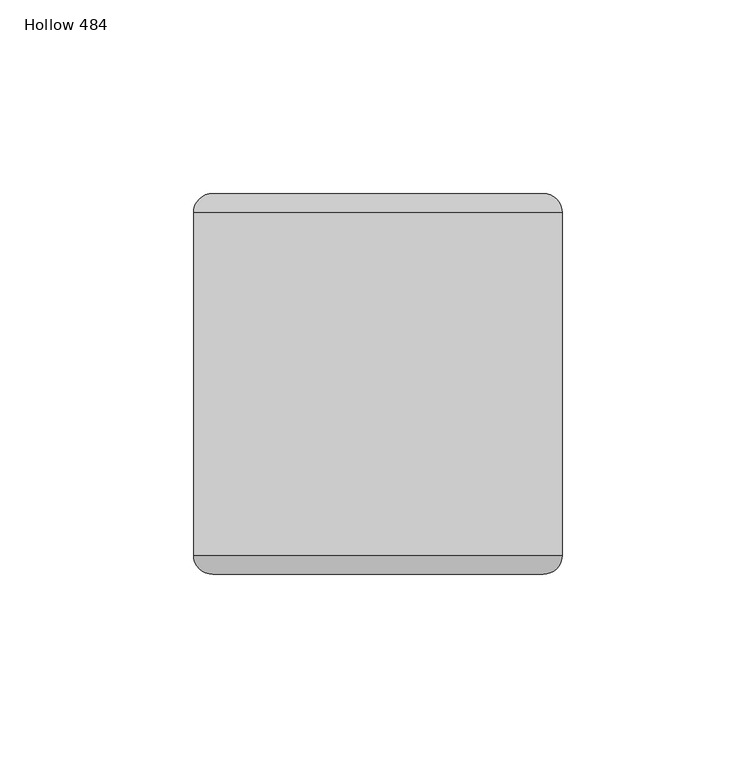
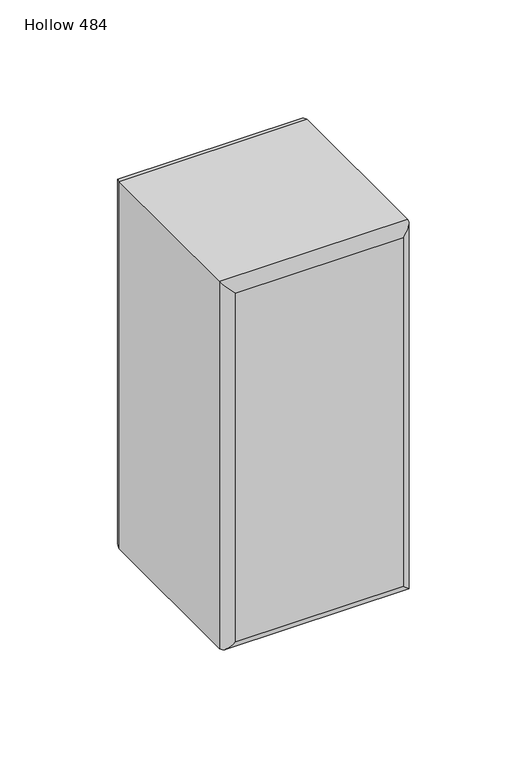
"""IFC4 building model written with IfcOpenShell, lengths in millimetres: plate geometry, Hollow 484."""

from ifc_helpers import new_model, si_unit, frame, origin, place, context, project, spatial, ellipse_curve, source, transform, mapped, element, save
from ifc_brep_helpers import plane_surface, cylinder_surface, advanced_brep


def hollow_484_897a033f(model_context):
    return source(origin(), model_context, "Body", "AdvancedBrep", [
        advanced_brep(
        [(-47.6582959, -44.2, 197.0), (47.6417041, -44.2, 197.0), (47.6417041, 44.2, 197.0), (-47.6582959, 44.2, 197.0), (47.6417041, -44.2, 0.0), (-47.6582959, -44.2, 0.0), (-47.6582959, 44.2, 0.0), (47.6417041, 44.2, 0.0), (-42.6582959, -49.2, 5.0), (42.6417041, -49.2, 5.0), (42.6417041, -49.2, 192.0), (-42.6582959, -49.2, 192.0), (42.6417041, 49.2, 5.0), (-42.6582959, 49.2, 5.0), (-42.6582959, 49.2, 192.0), (42.6417041, 49.2, 192.0)],
        [
            (0, 1),
            (1, 2),
            (2, 3),
            (3, 0),
            (4, 5),
            (5, 6),
            (6, 7),
            (7, 4),
            (8, 9),
            (9, 10),
            (10, 11),
            (11, 8),
            (1, 4),
            (7, 2),
            (12, 13),
            (13, 14),
            (14, 15),
            (15, 12),
            (5, 0),
            (3, 6),
            (4, 9, ellipse_curve(frame((42.6417041, -44.2, 5.0), z_axis=(-0.7071067811865475, 0.0, -0.7071067811865475), x_axis=(0.7071067811865476, 0.0, -0.7071067811865474)), 7.0710678, 5.0)),
            (8, 5, ellipse_curve(frame((-42.6582959, -44.2, 5.0), z_axis=(0.7071067811865475, 0.0, -0.7071067811865475), x_axis=(0.7071067811865476, 0.0, 0.7071067811865474)), 7.0710678, 5.0)),
            (1, 10, ellipse_curve(frame((42.6417041, -44.2, 192.0), z_axis=(0.7071067811865475, 0.0, -0.7071067811865475), x_axis=(0.7071067811865474, 0.0, 0.7071067811865476)), 7.0710678, 5.0)),
            (0, 11, ellipse_curve(frame((-42.6582959, -44.2, 192.0), z_axis=(0.7071067811865475, 0.0, 0.7071067811865475), x_axis=(-0.7071067811865476, 0.0, 0.7071067811865474)), 7.0710678, 5.0)),
            (12, 7, ellipse_curve(frame((42.6417041, 44.2, 5.0), z_axis=(-0.7071067811865475, 0.0, -0.7071067811865475), x_axis=(0.7071067811865476, 0.0, -0.7071067811865474)), 7.0710678, 5.0)),
            (6, 13, ellipse_curve(frame((-42.6582959, 44.2, 5.0), z_axis=(0.7071067811865475, 0.0, -0.7071067811865475), x_axis=(0.7071067811865476, 0.0, 0.7071067811865474)), 7.0710678, 5.0)),
            (15, 2, ellipse_curve(frame((42.6417041, 44.2, 192.0), z_axis=(0.7071067811865475, 0.0, -0.7071067811865475), x_axis=(0.7071067811865474, 0.0, 0.7071067811865476)), 7.0710678, 5.0)),
            (14, 3, ellipse_curve(frame((-42.6582959, 44.2, 192.0), z_axis=(0.7071067811865475, 0.0, 0.7071067811865475), x_axis=(-0.7071067811865476, 0.0, 0.7071067811865474)), 7.0710678, 5.0)),
        ],
        [
            plane_surface(frame((-47.6582959, -49.2, 197.0), z_axis=(0.0, 0.0, 1.0), x_axis=(1.0, 0.0, 0.0))),
            plane_surface(frame((-47.6582959, -49.2, 0.0), z_axis=(0.0, 0.0, -1.0), x_axis=(-1.0, 0.0, 0.0))),
            plane_surface(frame((-47.6582959, -49.2, 197.0), z_axis=(0.0, -1.0, 0.0), x_axis=(0.0, 0.0, -1.0))),
            plane_surface(frame((47.6417041, -49.2, 197.0), z_axis=(1.0, 0.0, 0.0), x_axis=(0.0, 0.0, -1.0))),
            plane_surface(frame((47.6417041, 49.2, 197.0), z_axis=(0.0, 1.0, 0.0), x_axis=(0.0, 0.0, -1.0))),
            plane_surface(frame((-47.6582959, 49.2, 197.0), z_axis=(-1.0, 0.0, 0.0), x_axis=(0.0, 0.0, -1.0))),
            cylinder_surface(frame((-47.6582959, -44.2, 5.0), z_axis=(1.0, 0.0, 0.0), x_axis=(0.0, 0.0, -1.0)), 5.0),
            cylinder_surface(frame((42.6417041, -44.2, 0.0), z_axis=(0.0, 0.0, 1.0), x_axis=(1.0, 0.0, 0.0)), 5.0),
            cylinder_surface(frame((47.6417041, -44.2, 192.0), z_axis=(-1.0, 0.0, 0.0), x_axis=(0.0, 0.0, 1.0)), 5.0),
            cylinder_surface(frame((-42.6582959, -44.2, 197.0), z_axis=(0.0, 0.0, -1.0), x_axis=(-1.0, 0.0, 0.0)), 5.0),
            cylinder_surface(frame((-47.6582959, 44.2, 5.0), z_axis=(1.0, 0.0, 0.0), x_axis=(0.0, 0.0, -1.0)), 5.0),
            cylinder_surface(frame((42.6417041, 44.2, 0.0), z_axis=(0.0, 0.0, 1.0), x_axis=(1.0, 0.0, 0.0)), 5.0),
            cylinder_surface(frame((47.6417041, 44.2, 192.0), z_axis=(-1.0, 0.0, 0.0), x_axis=(0.0, 0.0, 1.0)), 5.0),
            cylinder_surface(frame((-42.6582959, 44.2, 197.0), z_axis=(0.0, 0.0, -1.0), x_axis=(-1.0, 0.0, 0.0)), 5.0),
        ],
        [
            (0, [[1, 2, 3, 4]]),
            (1, [[5, 6, 7, 8]]),
            (2, [[9, 10, 11, 12]]),
            (3, [[13, -8, 14, -2]]),
            (4, [[15, 16, 17, 18]]),
            (5, [[19, -4, 20, -6]]),
            (6, [[21, -9, 22, -5]]),
            (7, [[-21, -13, 23, -10]]),
            (8, [[-23, -1, 24, -11]]),
            (9, [[-22, -12, -24, -19]]),
            (10, [[25, -7, 26, -15]]),
            (11, [[-25, -18, 27, -14]]),
            (12, [[-27, -17, 28, -3]]),
            (13, [[-26, -20, -28, -16]]),
        ],
    ),
    ])


if __name__ == "__main__":
    model = new_model("IFC4")
    model_context = context("Model", 3, world=origin())
    ifc_project = project(units=[si_unit("LENGTHUNIT", "METRE", prefix="MILLI")], contexts=[model_context])
    site = spatial("IfcSite", under=ifc_project)
    building = spatial("IfcBuilding", under=site)
    placement = place(None, origin())
    hollow_484_shape = hollow_484_897a033f(model_context)
    element("IfcPlate", 1, ObjectType="Hollow 484", at=placement, inside=building, context=model_context, shape_type="MappedRepresentation", body=[
        mapped(hollow_484_shape, transform((0.0, 0.0, 0.0), x_axis=(1.0, 0.0, 0.0), y_axis=(0.0, 1.0, 0.0), z_axis=(0.0, 0.0, 1.0))),
    ])
    save(model, "model.ifc")
